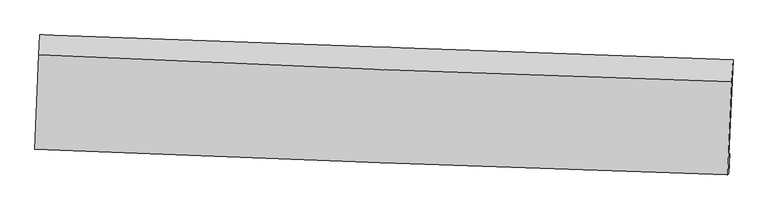
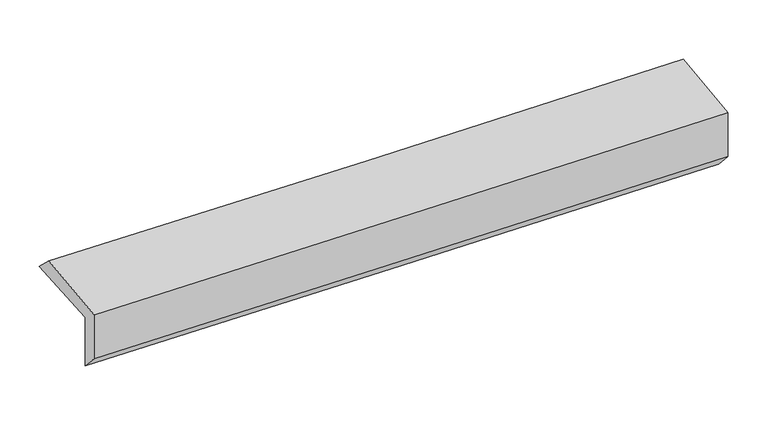
"""IFC4 building model written with IfcOpenShell, lengths in millimetres: proxy geometry."""

from ifc_helpers import new_model, si_unit, frame, origin, place, context, project, spatial, source, transform, mapped, element, save
from ifc_brep_helpers import plane_surface, spline_curve, spline_surface, advanced_brep


def generic_models_7e021a49(model_context):
    return source(origin(), model_context, "Body", "AdvancedBrep", [
        advanced_brep(
        [(-2420.573428, -1719.4477318, 1997.6236521), (-2392.6274396, -1056.9634053, 2005.5506906), (2420.0811461, -1228.8049638, 2082.4469554), (2391.0839063, -1893.5691742, 2064.2075347), (-2413.9282178, -1707.4121413, 1592.645256), (2397.6425884, -1881.6903005, 1664.5024076), (-2421.6060207, -1839.6064789, 1729.7697937), (2389.4765439, -2016.6725202, 1811.6633829), (-2427.7024838, -1850.6481965, 2101.3059518), (2383.3774999, -2027.7189121, 2183.3568268), (-2400.4044687, -1193.9012182, 2135.960231), (2411.2321541, -1383.4933787, 2217.3691051)],
        [
            (0, 1),
            (1, 2, spline_curve(3, [(-2392.6274396, -1056.9634053, 2005.5506906), (-1590.8573406, -1086.311208987, 2017.120164092), (-789.068840919, -1115.299824792, 2029.310196007), (815.16732596, -1172.580901889, 2054.941320627), (1617.615021205, -1200.87280569, 2068.383377002), (2420.0811461, -1228.8049638, 2082.4469554)], [4, 2, 4], [0.0, 7.896926309795251, 15.799982246532867])),
            (2, 3),
            (3, 0, spline_curve(3, [(2391.0839063, -1893.5691742, 2064.2075347), (1588.858445791, -1866.03556562, 2048.429513185), (786.61870814, -1837.752721382, 2034.990599755), (-817.267092025, -1779.71107896, 2012.799599477), (-1618.913132338, -1749.953442313, 2004.043885041), (-2420.573428, -1719.4477318, 1997.6236521)], [4, 2, 4], [0.0, 7.903055936737616, 15.799982246532867])),
            (4, 0),
            (3, 5),
            (5, 4, spline_curve(3, [(2397.6425884, -1881.6903005, 1664.5024076), (1595.402689862, -1854.182841864, 1649.604287428), (793.162952221, -1825.899997501, 1636.165374363), (-810.693982904, -1767.806075524, 1612.215253123), (-1612.311180701, -1737.996200085, 1601.70178254), (-2413.9282178, -1707.4121413, 1592.645256)], [4, 2, 4], [0.0, 7.902144837991789, 15.798160755691333])),
            (6, 4),
            (5, 7),
            (7, 6, spline_curve(3, [(2389.4765439, -2016.6725202, 1811.6633829), (1587.236858722, -1989.633808007, 1798.441184736), (785.037945969, -1961.352742318, 1785.002888541), (-818.656179214, -1902.328802109, 1757.704690436), (-1620.151454546, -1871.587853985, 1743.845123646), (-2421.6060207, -1839.6064789, 1729.7697937)], [4, 2, 4], [0.0, 7.901935098894733, 15.79774144017131])),
            (8, 6),
            (7, 9),
            (9, 8, spline_curve(3, [(2383.3774999, -2027.7189121, 2183.3568268), (1581.137383901, -2000.680979842, 2170.160873587), (778.938471224, -1972.399914087, 2156.722577417), (-824.754792803, -1913.374414745, 2129.371909916), (-1626.249207903, -1882.631908696, 2115.459914332), (-2427.7024838, -1850.6481965, 2101.3059518)], [4, 2, 4], [0.0, 7.901757508273615, 15.797386396668736])),
            (10, 8),
            (9, 11),
            (11, 10, spline_curve(3, [(2411.2321541, -1383.4933787, 2217.3691051), (1608.681394043, -1358.527204639, 2204.059928102), (806.280796802, -1330.237352454, 2190.618583568), (-797.597844664, -1267.034812067, 2163.482087476), (-1599.076121674, -1232.127277155, 2149.787140557), (-2400.4044687, -1193.9012182, 2135.960231)], [4, 2, 4], [0.0, 7.902616132366956, 15.79910297890475])),
            (1, 10),
            (11, 2),
        ],
        [
            spline_surface(3, 3, [[(-2420.573428, -1719.4477318, 1997.6236521), (-1618.913132429, -1749.953442301, 2004.043884997), (-817.267092055, -1779.71107888, 2012.799599374), (786.61870817, -1837.752721463, 2034.990599858), (1588.858445922, -1866.035565652, 2048.429513057), (2391.0839063, -1893.5691742, 2064.2075347)], [(-2411.258098552, -1498.61962299, 2000.26599824), (-1609.561201818, -1528.739364557, 2008.402644672), (-807.867674985, -1558.240660819, 2018.303131603), (796.134914057, -1616.028781649, 2041.640840106), (1598.443971071, -1644.314645717, 2055.080801002), (2400.749652912, -1671.981104077, 2070.287341599)], [(-2401.942769048, -1277.79151411, 2002.90834446), (-1600.20927115, -1307.525286742, 2012.761404427), (-798.468257887, -1336.770242739, 2023.806663818), (805.651119971, -1394.304841817, 2048.291080338), (1608.029496185, -1422.593725753, 2061.732088951), (2410.415399488, -1450.393033923, 2076.367148501)], [(-2392.6274396, -1056.9634053, 2005.5506906), (-1590.857340539, -1086.311208997, 2017.120164102), (-789.068840817, -1115.299824678, 2029.310196048), (815.167325857, -1172.580902003, 2054.941320586), (1617.615021334, -1200.872805818, 2068.383376896), (2420.0811461, -1228.8049638, 2082.4469554)]], [4, 4], [4, 2, 4], [0.0, 2.183880533540206], [0.0, 7.896926309795251, 15.799982246532867]),
            spline_surface(3, 3, [[(-2413.9282178, -1707.4121413, 1592.645256), (-1612.311180647, -1737.996200055, 1601.701782493), (-810.693982922, -1767.806075485, 1612.215253126), (793.162952239, -1825.89999754, 1636.16537436), (1595.402689892, -1854.182841829, 1649.604287558), (2397.6425884, -1881.6903005, 1664.5024076)], [(-2416.143287853, -1711.424004804, 1727.638054726), (-1614.511831227, -1741.981947474, 1735.815816687), (-812.885019277, -1771.774409929, 1745.743368529), (790.981537573, -1829.850905493, 1769.10711618), (1593.221275226, -1858.133749783, 1782.546029378), (2395.456361024, -1885.649925079, 1797.737449954)], [(-2418.358357947, -1715.435868296, 1862.630853374), (-1616.712481849, -1745.967694882, 1869.929850803), (-815.076055701, -1775.742744436, 1879.27148397), (788.800122837, -1833.80181351, 1902.048858038), (1591.039860589, -1862.084657699, 1915.487771237), (2393.270133676, -1889.609549621, 1930.972492346)], [(-2420.573428, -1719.4477318, 1997.6236521), (-1618.913132429, -1749.953442301, 2004.043884997), (-817.267092055, -1779.71107888, 2012.799599374), (786.61870817, -1837.752721463, 2034.990599858), (1588.858445922, -1866.035565652, 2048.429513057), (2391.0839063, -1893.5691742, 2064.2075347)]], [4, 4], [4, 2, 4], [0.0, 1.3121206089197122], [0.0, 7.896015917699544, 15.798160755691333]),
            spline_surface(3, 3, [[(-2421.6060207, -1839.6064789, 1729.7697937), (-1620.151454575, -1871.587854088, 1743.845123579), (-818.656179099, -1902.328802141, 1757.704690425), (785.037945853, -1961.352742286, 1785.002888553), (1587.236858629, -1989.633808037, 1798.441184816), (2389.4765439, -2016.6725202, 1811.6633829)], [(-2419.046753085, -1795.541699676, 1684.061614447), (-1617.538029951, -1827.05730272, 1696.464009864), (-816.002113716, -1857.48789326, 1709.208211312), (787.746281306, -1916.201827375, 1735.390383809), (1589.958802402, -1944.48348597, 1748.828885749), (2392.198558752, -1971.678446969, 1762.609724486)], [(-2416.487485415, -1751.476920524, 1638.353435253), (-1614.924605271, -1782.526751423, 1649.082896207), (-813.348048305, -1812.646984366, 1660.711732238), (790.454616787, -1871.050912451, 1685.777879104), (1592.68074612, -1899.333163897, 1699.216586625), (2394.920573548, -1926.684373731, 1713.556066014)], [(-2413.9282178, -1707.4121413, 1592.645256), (-1612.311180647, -1737.996200055, 1601.701782493), (-810.693982922, -1767.806075485, 1612.215253126), (793.162952239, -1825.89999754, 1636.16537436), (1595.402689892, -1854.182841829, 1649.604287558), (2397.6425884, -1881.6903005, 1664.5024076)]], [4, 4], [4, 2, 4], [0.0, 0.6557081505365122], [0.0, 7.895806341276576, 15.79774144017131]),
            spline_surface(3, 3, [[(-2427.7024838, -1850.6481965, 2101.3059518), (-1626.249207945, -1882.631908582, 2115.459914426), (-824.754792787, -1913.374414673, 2129.371909949), (778.938471207, -1972.399914158, 2156.722577384), (1581.137383982, -2000.680979909, 2170.160873547), (2383.3774999, -2027.7189121, 2183.3568268)], [(-2425.670329431, -1846.967623988, 1977.46056577), (-1624.216623486, -1878.950557105, 1991.588317481), (-822.721921564, -1909.69254382, 2005.4828368), (780.971629416, -1968.717523525, 2032.816014466), (1583.17054219, -1996.998589276, 2046.254310629), (2385.410514559, -2024.036781457, 2059.459012159)], [(-2423.638175069, -1843.287051412, 1853.61517973), (-1622.184039034, -1875.269205565, 1867.716720525), (-820.689050321, -1906.010672994, 1881.593763574), (783.004787645, -1965.035132919, 1908.909451471), (1585.20370042, -1993.31619867, 1922.347747734), (2387.443529241, -2020.354650843, 1935.561197541)], [(-2421.6060207, -1839.6064789, 1729.7697937), (-1620.151454575, -1871.587854088, 1743.845123579), (-818.656179099, -1902.328802141, 1757.704690425), (785.037945853, -1961.352742286, 1785.002888553), (1587.236858629, -1989.633808037, 1798.441184816), (2389.4765439, -2016.6725202, 1811.6633829)]], [4, 4], [4, 2, 4], [0.0, 1.2201692787451188], [0.0, 7.895628888395121, 15.797386396668736]),
            spline_surface(3, 3, [[(-2400.4044687, -1193.9012182, 2135.960231), (-1599.076121697, -1232.127277272, 2149.787140512), (-797.59784465, -1267.034811978, 2163.482087369), (806.280796788, -1330.237352543, 2190.618583676), (1608.681393979, -1358.527204614, 2204.059928183), (2411.2321541, -1383.4933787, 2217.3691051)], [(-2409.503807039, -1412.816877638, 2124.408804613), (-1608.133817086, -1448.96215438, 2138.34473183), (-806.650160691, -1482.481346204, 2152.112028208), (797.166688266, -1544.291539743, 2179.319914892), (1599.50005731, -1572.578463034, 2192.760243306), (2401.947269363, -1598.235223155, 2206.031679002)], [(-2418.603145461, -1631.732537062, 2112.857378187), (-1617.191512556, -1665.797031474, 2126.902323109), (-815.702476746, -1697.927880447, 2140.741969109), (788.052579729, -1758.345726959, 2168.021246168), (1590.318720651, -1786.62972149, 2181.460558424), (2392.662384637, -1812.977067645, 2194.694252898)], [(-2427.7024838, -1850.6481965, 2101.3059518), (-1626.249207945, -1882.631908582, 2115.459914426), (-824.754792787, -1913.374414673, 2129.371909949), (778.938471207, -1972.399914158, 2156.722577384), (1581.137383982, -2000.680979909, 2170.160873547), (2383.3774999, -2027.7189121, 2183.3568268)]], [4, 4], [4, 2, 4], [0.0, 2.1185085171525153], [0.0, 7.896486846537795, 15.79910297890475]),
            spline_surface(3, 3, [[(-2392.6274396, -1056.9634053, 2005.5506906), (-1590.857340539, -1086.311208997, 2017.120164102), (-789.068840817, -1115.299824678, 2029.310196048), (815.167325857, -1172.580902003, 2054.941320586), (1617.615021334, -1200.872805818, 2068.383376896), (2420.0811461, -1228.8049638, 2082.4469554)], [(-2395.21978264, -1102.609342904, 2049.020537404), (-1593.596934265, -1134.91656506, 2061.342489576), (-791.911842097, -1165.878153803, 2074.034159837), (812.205149499, -1225.133052208, 2100.167074964), (1614.637145539, -1253.424272081, 2113.608893992), (2417.13148209, -1280.367768764, 2127.4210053)], [(-2397.81212566, -1148.255280596, 2092.490384196), (-1596.336527971, -1183.52192121, 2105.564815038), (-794.75484337, -1216.456482853, 2118.75812358), (809.242973147, -1277.685202338, 2145.392829297), (1611.659269774, -1305.975738352, 2158.834411087), (2414.18181811, -1331.930573736, 2172.3950552)], [(-2400.4044687, -1193.9012182, 2135.960231), (-1599.076121697, -1232.127277272, 2149.787140512), (-797.59784465, -1267.034811978, 2163.482087369), (806.280796788, -1330.237352543, 2190.618583676), (1608.681393979, -1358.527204614, 2204.059928183), (2411.2321541, -1383.4933787, 2217.3691051)]], [4, 4], [4, 2, 4], [0.0, 0.6740677188095124], [0.0, 7.897575366255595, 15.80128086325387]),
            plane_surface(frame((2398.8156398, -1738.6582083, 2003.9243687), z_axis=(0.9989182258190218, -0.04398701169096458, 0.01508379690519052), x_axis=(0.016399354415141062, 0.029701982291554796, -0.9994242609736462))),
            plane_surface(frame((-2412.8070098, -1561.329862, 1927.1425959), z_axis=(-0.9989893842419567, 0.04232208354837906, -0.01513444468754322), x_axis=(-0.042143128451292686, -0.9990400669199876, -0.011954137896335834))),
        ],
        [
            (0, [[1, 2, 3, 4]]),
            (1, [[5, -4, 6, 7]]),
            (2, [[8, -7, 9, 10]]),
            (3, [[11, -10, 12, 13]]),
            (4, [[14, -13, 15, 16]]),
            (5, [[17, -16, 18, -2]]),
            (6, [[-12, -9, -6, -3, -18, -15]]),
            (7, [[-1, -5, -8, -11, -14, -17]]),
        ],
    ),
    ])


if __name__ == "__main__":
    model = new_model("IFC4")
    model_context = context("Model", 3, world=origin())
    ifc_project = project(units=[si_unit("LENGTHUNIT", "METRE", prefix="MILLI")], contexts=[model_context])
    site = spatial("IfcSite", under=ifc_project)
    building = spatial("IfcBuilding", under=site)
    placement = place(None, origin())
    generic_models_shape = generic_models_7e021a49(model_context)
    element("IfcBuildingElementProxy", 1, Name="Generic Models", at=placement, inside=building, context=model_context, shape_type="MappedRepresentation", body=[
        mapped(generic_models_shape, transform((0.0, 0.0, 0.0), x_axis=(1.0, 0.0, 0.0), y_axis=(0.0, 1.0, 0.0), z_axis=(0.0, 0.0, 1.0))),
    ])
    save(model, "model.ifc")
